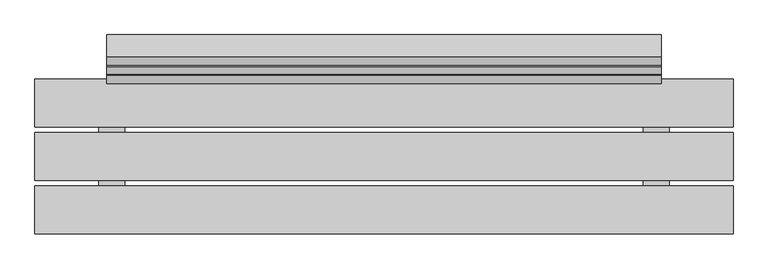
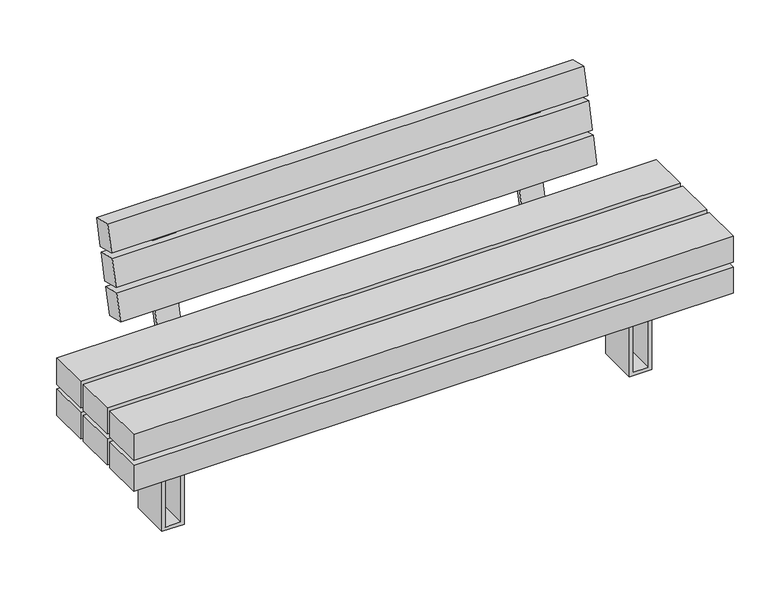
"""IFC4 building model written with IfcOpenShell, lengths in millimetres: furniture geometry."""

from ifc_helpers import new_model, si_unit, point, frame, frame_2d, origin, place, context, project, spatial, polyline, circle_curve, trimmed, segment, composite_curve, outline, extrude, source, transform, mapped, element, save


def furniture_c31b1846(model_context):
    return source(origin(), model_context, "Body", "SweptSolid", [
        extrude(outline(polyline([(351.8217453, 900.0000373), (351.8217453, -900.0), (268.7167987, -900.0), (268.7167987, 900.0000373), (351.8217453, 900.0000373)]), holes=[polyline([(339.8217453, -888.0), (339.8217453, 888.0), (280.7167987, 888.0), (280.7167987, -888.0), (339.8217453, -888.0)])]), frame((0.0, -61.5000218, 0.0), z_axis=(0.0, 1.0, 0.0), x_axis=(0.0, 0.0, 1.0)), (0.0, 0.0, 1.0), 123.0000435),
        extrude(outline(polyline([(258.7167987, 618.4244034), (258.7167987, 668.4244034), (0.0, 668.4244034), (0.0, 735.4649994), (258.7167987, 735.4649994), (258.7167987, 785.4649994), (268.7167987, 785.4649994), (268.7167987, 725.4649994), (10.0, 725.4649994), (10.0, 678.4244034), (268.7167987, 678.4244034), (268.7167987, 618.4244034), (258.7167987, 618.4244034)])), frame((0.0, -61.5083224, 0.0), z_axis=(0.0, 1.0, 0.0), x_axis=(0.0, 0.0, 1.0)), (0.0, 0.0, 1.0), 123.0166879),
        extrude(outline(polyline([(258.7167987, -785.6380966), (258.7167987, -735.6380966), (0.0, -735.6380966), (0.0, -668.5975006), (258.7167987, -668.5975006), (258.7167987, -618.5975006), (268.7167987, -618.5975006), (268.7167987, -678.5975006), (10.0, -678.5975006), (10.0, -725.6380966), (268.7167987, -725.6380966), (268.7167987, -785.6380966), (258.7167987, -785.6380966)])), frame((0.0, -61.5083224, 0.0), z_axis=(0.0, 1.0, 0.0), x_axis=(0.0, 0.0, 1.0)), (0.0, 0.0, 1.0), 123.0166879),
        extrude(outline(composite_curve([segment(polyline([(301.7676975, 665.0239384), (227.7235932, 368.0492568)]), True, "CONTINUOUS"), segment(trimmed(circle_curve(frame_2d((206.9533257, 373.2278661)), 21.4061208), [point((227.7235932, 368.0492568))], [point((206.9533257, 351.8217453))], False, "CARTESIAN"), True, "CONTINUOUS"), segment(polyline([(206.9533257, 351.8217453), (76.4999782, 351.8217453), (76.4999782, 366.8258682), (207.2227467, 366.8258682)]), True, "CONTINUOUS"), segment(trimmed(circle_curve(frame_2d((207.2227467, 376.8258682)), 10.0), [point((207.2227467, 366.8258682))], [point((216.925704, 374.4066493))], True, "CARTESIAN"), True, "CONTINUOUS"), segment(polyline([(216.925704, 374.4066493), (290.8352259, 670.8415506), (252.7658072, 680.3333227), (255.6688699, 691.9768714), (290.84209, 683.2072027)]), True, "CONTINUOUS"), segment(trimmed(circle_curve(frame_2d((287.2132616, 668.6527668)), 15.0), [point((290.84209, 683.2072027))], [point((301.7676975, 665.0239384))], False, "CARTESIAN"), True, "CONTINUOUS")], self_intersect=False)), frame((-582.1768452, 0.0, 0.0), z_axis=(1.0, 0.0, 0.0), x_axis=(0.0, 1.0, 0.0)), (0.0, 0.0, 1.0), 70.0),
        extrude(outline(composite_curve([segment(polyline([(301.7676975, 665.0239384), (227.7235932, 368.0492568)]), True, "CONTINUOUS"), segment(trimmed(circle_curve(frame_2d((206.9533257, 373.2278661)), 21.4061208), [point((227.7235932, 368.0492568))], [point((206.9533257, 351.8217453))], False, "CARTESIAN"), True, "CONTINUOUS"), segment(polyline([(206.9533257, 351.8217453), (76.4999782, 351.8217453), (76.4999782, 366.8258682), (207.2227467, 366.8258682)]), True, "CONTINUOUS"), segment(trimmed(circle_curve(frame_2d((207.2227467, 376.8258682)), 10.0), [point((207.2227467, 366.8258682))], [point((216.925704, 374.4066493))], True, "CARTESIAN"), True, "CONTINUOUS"), segment(polyline([(216.925704, 374.4066493), (290.8352259, 670.8415506), (252.7658072, 680.3333227), (255.6688699, 691.9768714), (290.84209, 683.2072027)]), True, "CONTINUOUS"), segment(trimmed(circle_curve(frame_2d((287.2132616, 668.6527668)), 15.0), [point((290.84209, 683.2072027))], [point((301.7676975, 665.0239384))], False, "CARTESIAN"), True, "CONTINUOUS")], self_intersect=False)), frame((512.1769562, 0.0, 0.0), z_axis=(1.0, 0.0, 0.0), x_axis=(0.0, 1.0, 0.0)), (0.0, 0.0, 1.0), 70.0),
        extrude(outline(polyline([(0.0, -60.0), (0.0, 0.0), (1430.0000015, 0.0), (1430.0000015, -60.0), (0.0, -60.0)])), frame((715.0000752, 188.1106519, 506.8497082), z_axis=(0.0, 0.24226794219074058, 0.9702093816216497), x_axis=(-1.0, 0.0, 0.0)), (0.0, 0.0, 1.0), 82.9016978),
        extrude(outline(polyline([(0.0, -60.0), (0.0, 0.0), (1430.0000015, 0.0), (1430.0000015, -60.0), (0.0, -60.0)])), frame((715.0000752, 211.8519257, 601.9262847), z_axis=(0.0, 0.24226794219074002, 0.9702093816216498), x_axis=(-1.0, 0.0, 0.0)), (0.0, 0.0, 1.0), 82.9016978),
        extrude(outline(polyline([(0.0, -60.0), (0.0, 0.0), (1430.0000015, 0.0), (1430.0000015, -60.0), (0.0, -60.0)])), frame((715.0000752, 235.5883657, 696.9835034), z_axis=(0.0, 0.24226794219073886, 0.9702093816216503), x_axis=(-1.0, 0.0, 0.0)), (0.0, 0.0, 1.0), 82.9016978),
        extrude(outline(polyline([(900.0, -76.5174894), (900.0, -199.5174894), (-900.0, -199.5174894), (-900.0, -76.5174894), (900.0, -76.5174894)])), frame((0.0, 0.0, 366.8258682), z_axis=(0.0, 0.0, 1.0), x_axis=(1.0, 0.0, 0.0)), (0.0, 0.0, 1.0), 83.1049466),
        extrude(outline(polyline([(900.0, 61.4888479), (900.0, -61.5111521), (-900.0, -61.5111521), (-900.0, 61.4888479), (900.0, 61.4888479)])), frame((0.0, 0.0, 366.8258682), z_axis=(0.0, 0.0, 1.0), x_axis=(1.0, 0.0, 0.0)), (0.0, 0.0, 1.0), 83.1049466),
        extrude(outline(polyline([(900.0, 199.4999782), (900.0, 76.4999782), (-900.0, 76.4999782), (-900.0, 199.4999782), (900.0, 199.4999782)])), frame((0.0, 0.0, 366.8258682), z_axis=(0.0, 0.0, 1.0), x_axis=(1.0, 0.0, 0.0)), (0.0, 0.0, 1.0), 83.1049466),
        extrude(outline(polyline([(900.0, -76.5174894), (900.0, -199.5174894), (-900.0, -199.5174894), (-900.0, -76.5174894), (900.0, -76.5174894)])), frame((0.0, 0.0, 268.7167987), z_axis=(0.0, 0.0, 1.0), x_axis=(1.0, 0.0, 0.0)), (0.0, 0.0, 1.0), 83.1049466),
        extrude(outline(polyline([(900.0, 199.4999782), (900.0, 76.4999782), (-900.0, 76.4999782), (-900.0, 199.4999782), (900.0, 199.4999782)])), frame((0.0, 0.0, 268.7167987), z_axis=(0.0, 0.0, 1.0), x_axis=(1.0, 0.0, 0.0)), (0.0, 0.0, 1.0), 83.1049466),
        extrude(outline(polyline([(735.4649994, -171.2111197), (668.4244034, -171.2111197), (668.4244034, 168.7288553), (735.4649994, 168.7288553), (735.4649994, -171.2111197)])), frame((0.0, 0.0, 351.8217453), z_axis=(0.0, 0.0, 1.0), x_axis=(1.0, 0.0, 0.0)), (0.0, 0.0, 1.0), 15.004123),
        extrude(outline(polyline([(-668.5975006, -171.2111197), (-735.6380966, -171.2111197), (-735.6380966, 168.7288553), (-668.5975006, 168.7288553), (-668.5975006, -171.2111197)])), frame((0.0, 0.0, 351.8217453), z_axis=(0.0, 0.0, 1.0), x_axis=(1.0, 0.0, 0.0)), (0.0, 0.0, 1.0), 15.004123),
    ])


if __name__ == "__main__":
    model = new_model("IFC4")
    model_context = context("Model", 3, world=origin())
    ifc_project = project(units=[si_unit("LENGTHUNIT", "METRE", prefix="MILLI")], contexts=[model_context])
    site = spatial("IfcSite", under=ifc_project)
    building = spatial("IfcBuilding", under=site)
    placement = place(None, origin())
    furniture_shape = furniture_c31b1846(model_context)
    element("IfcFurniture", 1, at=placement, inside=building, context=model_context, shape_type="MappedRepresentation", body=[
        mapped(furniture_shape, transform((0.0, 0.0, 0.0), x_axis=(1.0, 0.0, 0.0), y_axis=(0.0, 1.0, 0.0), z_axis=(0.0, 0.0, 1.0))),
    ])
    save(model, "model.ifc")
